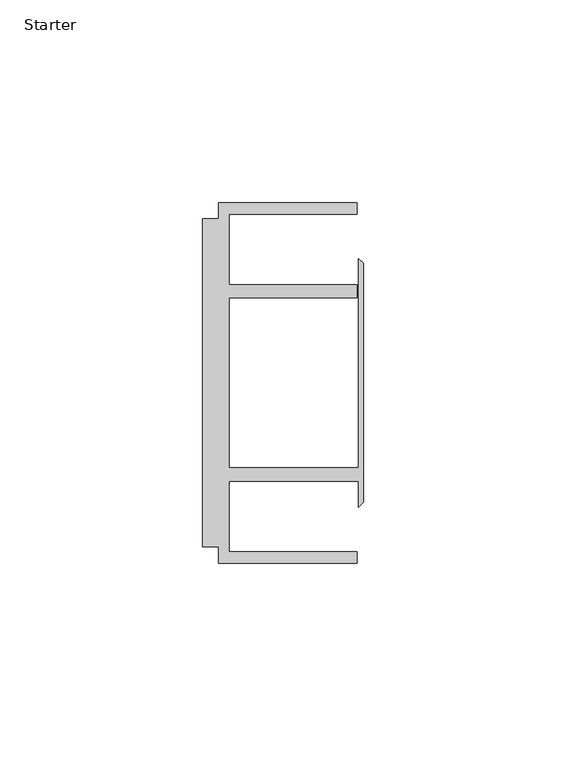
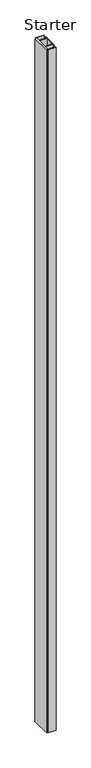
"""IFC4 building model written with IfcOpenShell, lengths in millimetres: furniture geometry, Starter."""

import ifcopenshell
import ifcopenshell.guid

model = None  # the IFC model being written
_history = None  # IfcOwnerHistory: only IFC2X3 demands one
_inside = {}  # id of a spatial element -> (the spatial element, [elements in it])
_under = {}  # id of a project, library or spatial element -> (it, [spatial elements below it])
_declared = {}  # id of a project -> (the project, [libraries it declares])
_typed = {}  # id of a type object -> (the type object, [elements of that type])
_made_of = {}  # id of a material, layer set ... -> (it, [elements and type objects made of it])


def new_model(schema):
    """Start an empty IFC model of exactly this schema.

    Asked for "IFC4X3", IfcOpenShell would pick the latest addendum, in which some entities
    have other attributes; the version numbers below select the first issue.
    IFC2X3 requires an IfcOwnerHistory on every rooted entity: one is made here for all.
    """
    global model, _history
    if schema == "IFC4X3":
        model = ifcopenshell.file(schema_version=(4, 3, 0, 0))
    else:
        model = ifcopenshell.file(schema=schema)
    _inside.clear()
    _under.clear()
    _declared.clear()
    _typed.clear()
    _made_of.clear()
    _history = None
    if model.schema == "IFC2X3":
        org = make("IfcOrganization", Name="unknown")
        user = make(
            "IfcPersonAndOrganization",
            ThePerson=make("IfcPerson", FamilyName="unknown"),
            TheOrganization=org,
        )
        app = make(
            "IfcApplication",
            ApplicationDeveloper=org,
            Version="unknown",
            ApplicationFullName="unknown",
            ApplicationIdentifier="unknown",
        )
        _history = make(
            "IfcOwnerHistory",
            OwningUser=user,
            OwningApplication=app,
            ChangeAction="ADDED",
            CreationDate=0,
        )
    return model


def make(cls, **values):
    """One entity of the class cls with the attributes given. An attribute that is None is left unset."""
    return model.create_entity(
        cls, **{name: value for name, value in values.items() if value is not None}
    )


def rooted(cls, **values):
    """An entity with a GlobalId (a new one), such as an element, a storey or a relation."""
    return make(cls, GlobalId=ifcopenshell.guid.new(), OwnerHistory=_history, **values)


def si_unit(unit_type, name, prefix=None):
    """IfcSIUnit, for example si_unit("LENGTHUNIT", "METRE", prefix="MILLI")."""
    return make("IfcSIUnit", UnitType=unit_type, Prefix=prefix, Name=name)


def assignment(units):
    """IfcUnitAssignment: the units of a project."""
    return None if units is None else make("IfcUnitAssignment", Units=units)


def point(xyz):
    """IfcCartesianPoint."""
    return None if xyz is None else make("IfcCartesianPoint", Coordinates=xyz)


def direction(xyz):
    """IfcDirection."""
    return None if xyz is None else make("IfcDirection", DirectionRatios=xyz)


def frame(location, z_axis=None, x_axis=None):
    """IfcAxis2Placement3D, a coordinate frame: its origin and axes. An axis left out is left unset."""
    return make(
        "IfcAxis2Placement3D",
        Location=point(location),
        Axis=direction(z_axis),
        RefDirection=direction(x_axis),
    )


def origin():
    """The frame at (0, 0, 0) with its axes left unset."""
    return frame((0.0, 0.0, 0.0))


def origin_with_axes():
    """The frame at (0, 0, 0) with the z axis (0, 0, 1) and the x axis (1, 0, 0) written out."""
    return frame((0.0, 0.0, 0.0), z_axis=(0.0, 0.0, 1.0), x_axis=(1.0, 0.0, 0.0))


def place(relative_to, where):
    """IfcLocalPlacement: puts the frame where relative to a parent placement (None: the world)."""
    return make(
        "IfcLocalPlacement", PlacementRelTo=relative_to, RelativePlacement=where
    )


def context(
    kind, dimensions, precision=None, world=None, true_north=None, identifier=None
):
    """IfcGeometricRepresentationContext, for example the 3D "Model" context."""
    return make(
        "IfcGeometricRepresentationContext",
        ContextIdentifier=identifier,
        ContextType=kind,
        CoordinateSpaceDimension=dimensions,
        Precision=precision,
        WorldCoordinateSystem=world,
        TrueNorth=true_north,
    )


def project(units=None, contexts=None):
    """IfcProject with its units and contexts."""
    return rooted(
        "IfcProject",
        Name="project",
        RepresentationContexts=contexts,
        UnitsInContext=assignment(units),
    )


def spatial(cls, under=None, at=None, **own):
    """A site, building, storey or space (cls), placed at a placement, below another one or the project."""
    s = rooted(cls, ObjectPlacement=at, **own)
    if under is not None:
        _under.setdefault(under.id(), (under, []))[1].append(s)
    return s


def polyline(points):
    """IfcPolyline through the points."""
    return make("IfcPolyline", Points=[point(p) for p in points])


def outline(outer, holes=None, kind="AREA"):
    """IfcArbitraryClosedProfileDef: a profile drawn as a closed curve; with holes, ...WithVoids."""
    if holes is None:
        return make("IfcArbitraryClosedProfileDef", ProfileType=kind, OuterCurve=outer)
    return make(
        "IfcArbitraryProfileDefWithVoids",
        ProfileType=kind,
        OuterCurve=outer,
        InnerCurves=holes,
    )


def extrude(swept, where, along, depth):
    """IfcExtrudedAreaSolid: the profile swept, set in the frame where, extruded along a direction by depth."""
    return make(
        "IfcExtrudedAreaSolid",
        SweptArea=swept,
        Position=where,
        ExtrudedDirection=direction(along),
        Depth=depth,
    )


def shape(context_of_items, identifier, shape_type, items):
    """IfcShapeRepresentation: the items that make up one representation, for example the "Body"."""
    return make(
        "IfcShapeRepresentation",
        ContextOfItems=context_of_items,
        RepresentationIdentifier=identifier,
        RepresentationType=shape_type,
        Items=items,
    )


def source(mapping_origin, context_of_items, identifier, shape_type, items):
    """IfcRepresentationMap: a shape defined once, which mapped items show again and again."""
    return make(
        "IfcRepresentationMap",
        MappingOrigin=mapping_origin,
        MappedRepresentation=shape(context_of_items, identifier, shape_type, items),
    )


def transform(
    local_origin,
    x_axis=None,
    y_axis=None,
    z_axis=None,
    scale=None,
    scale2=None,
    scale3=None,
    uniform=True,
):
    """IfcCartesianTransformationOperator3D, or its non-uniform kind. x_axis, y_axis, z_axis: its Axis1, 2, 3."""
    if uniform:
        return make(
            "IfcCartesianTransformationOperator3D",
            Axis1=direction(x_axis),
            Axis2=direction(y_axis),
            LocalOrigin=point(local_origin),
            Scale=scale,
            Axis3=direction(z_axis),
        )
    return make(
        "IfcCartesianTransformationOperator3DnonUniform",
        Axis1=direction(x_axis),
        Axis2=direction(y_axis),
        LocalOrigin=point(local_origin),
        Scale=scale,
        Axis3=direction(z_axis),
        Scale2=scale2,
        Scale3=scale3,
    )


def mapped(mapping_source, mapping_target):
    """IfcMappedItem: shows the shape of a source again, moved by a transform."""
    return make(
        "IfcMappedItem", MappingSource=mapping_source, MappingTarget=mapping_target
    )


def made_of(thing, what):
    """Note that an element or type object is made of a material, layer set ...; save() writes the relation."""
    if what is not None:
        _made_of.setdefault(what.id(), (what, []))[1].append(thing)
    return thing


def element(
    cls,
    number,
    at=None,
    inside=None,
    cuts=None,
    type_object=None,
    material=None,
    context=None,
    identifier="Body",
    shape_type=None,
    held_by="IfcProductDefinitionShape",
    body=None,
    shapes=None,
    **own,
):
    """One element of the class cls, such as IfcWall. Its Tag is "e" and its number.

    at: its placement. inside: the storey or other place that contains it. cuts: it is an
    opening in that element (IfcRelVoidsElement). A single representation is given by context,
    identifier, shape_type and body (its items); several are given by shapes. held_by: the class
    of the entity that holds the representations. save() writes the other relations.
    """
    e = rooted(cls, Tag="e%d" % number, ObjectPlacement=at, **own)
    if body is not None:
        shapes = [shape(context, identifier, shape_type, body)]
    if shapes is not None:
        e.Representation = make(held_by, Representations=shapes)
    if inside is not None:
        _inside.setdefault(inside.id(), (inside, []))[1].append(e)
    if cuts is not None:
        rooted(
            "IfcRelVoidsElement", RelatingBuildingElement=cuts, RelatedOpeningElement=e
        )
    if type_object is not None:
        _typed.setdefault(type_object.id(), (type_object, []))[1].append(e)
    return made_of(e, material)


def aggregate(whole, parts):
    """IfcRelAggregates: a whole, such as a stair, and the parts it consists of."""
    return rooted("IfcRelAggregates", RelatingObject=whole, RelatedObjects=parts)


def save(model, path):
    """Write the relations noted so far, then the file.

    IfcRelAggregates (storeys below a building ...), IfcRelContainedInSpatialStructure (elements
    in a storey), IfcRelDefinesByType, IfcRelAssociatesMaterial and IfcRelDeclares: one each for
    every whole, place, type object, material and project.
    """
    for whole, parts in _under.values():
        aggregate(whole, parts)
    for where, things in _inside.values():
        rooted(
            "IfcRelContainedInSpatialStructure",
            RelatedElements=things,
            RelatingStructure=where,
        )
    for kind, things in _typed.values():
        rooted("IfcRelDefinesByType", RelatedObjects=things, RelatingType=kind)
    for what, things in _made_of.values():
        rooted("IfcRelAssociatesMaterial", RelatedObjects=things, RelatingMaterial=what)
    for by, libraries in _declared.values():
        rooted("IfcRelDeclares", RelatingContext=by, RelatedDefinitions=libraries)
    model.write(path)


def starter_cd5592ee(model_context):
    return source(origin(), model_context, "Body", "SweptSolid", [
        extrude(outline(polyline([(33.9771533, 59.951805), (68.0771531, 59.951805), (68.0771531, 57.1518064), (36.5771534, 57.1518064), (36.5771534, 39.7518058), (68.0771531, 39.7518058), (68.0771531, 36.4518057), (36.5771534, 36.4518057), (36.5771534, -5.4481956), (68.5195633, -5.4481956), (68.5195633, 46.1177636), (69.6646531, 44.9726737), (69.6646531, -13.9690637), (68.5195633, -15.1141535), (68.5195633, -8.7481957), (36.5771534, -8.7481957), (36.5771534, -26.1481963), (68.0771531, -26.1481963), (68.0771531, -28.948195), (33.9771533, -28.948195), (33.9771533, -24.9481962), (29.9771531, -24.9481962), (29.9771531, 55.9518063), (33.9771533, 55.9518063), (33.9771533, 59.951805)])), origin_with_axes(), (0.0, 0.0, 1.0), 3048.0),
    ])


if __name__ == "__main__":
    model = new_model("IFC4")
    model_context = context("Model", 3, world=origin())
    ifc_project = project(units=[si_unit("LENGTHUNIT", "METRE", prefix="MILLI")], contexts=[model_context])
    site = spatial("IfcSite", under=ifc_project)
    building = spatial("IfcBuilding", under=site)
    placement = place(None, origin())
    starter_shape = starter_cd5592ee(model_context)
    element("IfcFurniture", 1, ObjectType="Starter", at=placement, inside=building, context=model_context, shape_type="MappedRepresentation", body=[
        mapped(starter_shape, transform((0.0, 0.0, 0.0), x_axis=(1.0, 0.0, 0.0), y_axis=(0.0, 1.0, 0.0), z_axis=(0.0, 0.0, 1.0))),
    ])
    save(model, "model.ifc")
